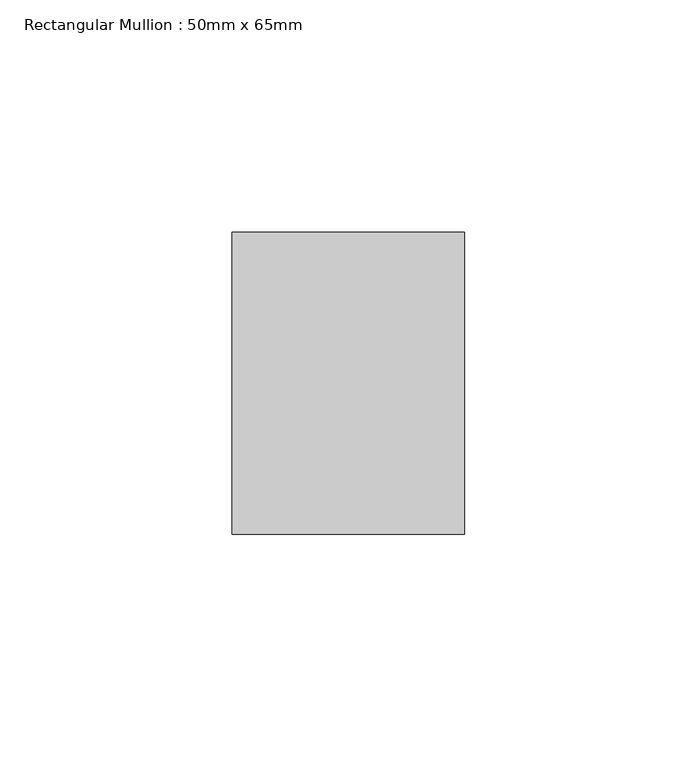
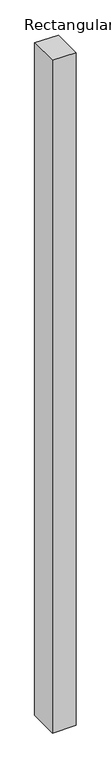
"""IFC4 building model written with IfcOpenShell, lengths in millimetres: member geometry, Rectangular Mullion : 50mm x 65mm."""

from ifc_helpers import new_model, si_unit, origin, place, context, project, spatial, faceted_brep, source, transform, mapped, element, save


def rectangular_mullion_50mm_x_65mm_bc1a9013(model_context):
    return source(origin(), model_context, "Body", "Brep", [
        faceted_brep([(-25.0, 32.5, -0.266447), (25.0, 32.5, -0.2664482), (25.0, 32.5, -1499.6463353), (-25.0, 32.5, -1499.646337), (-25.0, -32.5, 0.2664482), (-25.0, -32.5, -1500.3536775), (25.0, -32.5, 0.266447), (25.0, -32.5, -1500.3536758)], [[[0, 1, 2, 3]], [[4, 0, 3, 5]], [[6, 4, 5, 7]], [[1, 6, 7, 2]], [[1, 0, 4, 6]], [[2, 7, 5, 3]]]),
    ])


if __name__ == "__main__":
    model = new_model("IFC4")
    model_context = context("Model", 3, world=origin())
    ifc_project = project(units=[si_unit("LENGTHUNIT", "METRE", prefix="MILLI")], contexts=[model_context])
    site = spatial("IfcSite", under=ifc_project)
    building = spatial("IfcBuilding", under=site)
    placement = place(None, origin())
    rectangular_mullion_50mm_x_65mm_shape = rectangular_mullion_50mm_x_65mm_bc1a9013(model_context)
    element("IfcMember", 1, ObjectType="Rectangular Mullion : 50mm x 65mm", at=placement, inside=building, context=model_context, shape_type="MappedRepresentation", body=[
        mapped(rectangular_mullion_50mm_x_65mm_shape, transform((0.0, 0.0, 0.0), x_axis=(1.0, 0.0, 0.0), y_axis=(0.0, 1.0, 0.0), z_axis=(0.0, 0.0, 1.0))),
    ])
    save(model, "model.ifc")
